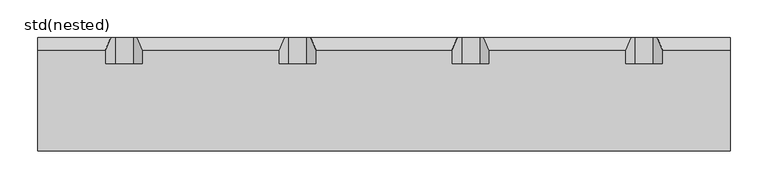
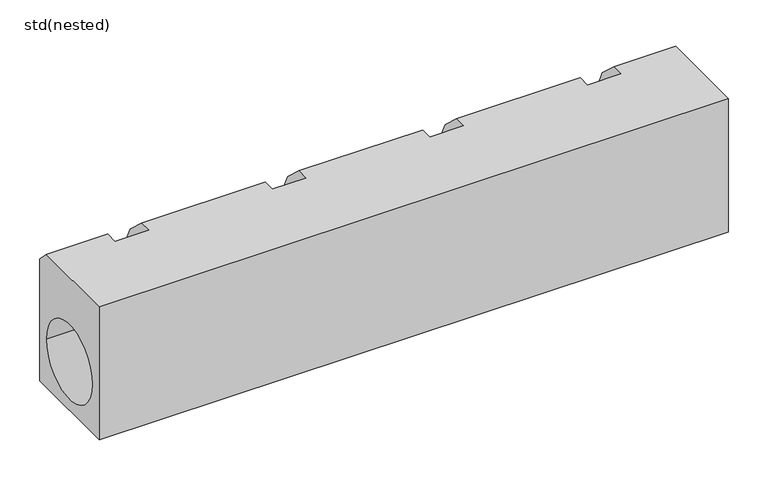
"""IFC4 building model written with IfcOpenShell, lengths in millimetres: sanitary terminal geometry, std(nested)."""

from ifc_helpers import new_model, si_unit, frame, origin, place, context, project, spatial, polyline, circle_curve, source, transform, mapped, element, save
from ifc_brep_helpers import plane_surface, revolved_surface, advanced_brep


def std_nested_bd71ac03(model_context):
    return source(origin(), model_context, "Body", "AdvancedBrep", [
        advanced_brep(
        [(-614.056243, -435.4923488, 0.0), (-626.9049289, -435.4923488, -30.2696072), (-650.8009223, -435.4923488, -30.2696072), (-663.6496083, -435.4923488, 0.0), (-385.0562483, -435.4923488, 0.0), (-397.9049342, -435.4923488, -30.2696072), (-421.8009276, -435.4923488, -30.2696072), (-434.6496136, -435.4923488, 0.0), (-156.0562461, -435.4923488, 0.0), (-168.9049321, -435.4923488, -30.2696072), (-192.8009255, -435.4923488, -30.2696072), (-205.6496114, -435.4923488, 0.0), (72.943756, -435.4923488, 0.0), (60.0950701, -435.4923488, -30.2696072), (36.1990766, -435.4923488, -30.2696072), (23.3503907, -435.4923488, 0.0), (162.1470743, -550.4923488, 0.0), (162.1470743, -550.4923488, -205.0), (162.1470743, -400.4923428, -205.0), (162.1470743, -400.4923428, -16.998306), (162.1470743, -417.4906488, 0.0), (162.1470743, -532.9923488, -130.0), (162.1470743, -417.9923488, -130.0), (-752.8529257, -550.4923488, 0.0), (-752.8529257, -417.4906488, 0.0), (-752.8529257, -400.4923428, -16.998306), (-752.8529257, -400.4923428, -205.0), (-752.8529257, -550.4923488, -205.0), (-752.8529257, -532.9923488, -130.0), (-752.8529257, -417.9923488, -130.0), (72.943756, -417.4906488, 0.0), (23.3503907, -417.4906488, 0.0), (-156.0562461, -417.4906488, 0.0), (-205.6496114, -417.4906488, 0.0), (-385.0562483, -417.4906488, 0.0), (-434.6496136, -417.4906488, 0.0), (-614.056243, -417.4906488, 0.0), (-663.6496083, -417.4906488, 0.0), (-656.4342555, -400.4923428, -16.998306), (-650.8009223, -400.4923428, -30.2696072), (-626.9049289, -400.4923428, -30.2696072), (-621.2715958, -400.4923428, -16.998306), (-427.4342608, -400.4923428, -16.998306), (-421.8009276, -400.4923428, -30.2696072), (-397.9049342, -400.4923428, -30.2696072), (-392.2716011, -400.4923428, -16.998306), (-198.4342586, -400.4923428, -16.998306), (-192.8009255, -400.4923428, -30.2696072), (-168.9049321, -400.4923428, -30.2696072), (-163.271599, -400.4923428, -16.998306), (30.5657435, -400.4923428, -16.998306), (36.1990766, -400.4923428, -30.2696072), (60.0950701, -400.4923428, -30.2696072), (65.7284032, -400.4923428, -16.998306)],
        [
            (0, 1),
            (1, 2, circle_curve(frame((-638.8529256, -435.4923488, -25.1979835), z_axis=(0.0, 1.0, 0.0), x_axis=(0.0, 0.0, -1.0)), 12.9798302)),
            (2, 3),
            (3, 0),
            (4, 5),
            (5, 6, circle_curve(frame((-409.8529309, -435.4923488, -25.1979835), z_axis=(0.0, 1.0, 0.0), x_axis=(0.0, 0.0, -1.0)), 12.9798302)),
            (6, 7),
            (7, 4),
            (8, 9),
            (9, 10, circle_curve(frame((-180.8529288, -435.4923488, -25.1979835), z_axis=(0.0, 1.0, 0.0), x_axis=(0.0, 0.0, -1.0)), 12.9798302)),
            (10, 11),
            (11, 8),
            (12, 13),
            (13, 14, circle_curve(frame((48.1470734, -435.4923488, -25.1979835), z_axis=(0.0, 1.0, 0.0), x_axis=(0.0, 0.0, -1.0)), 12.9798302)),
            (14, 15),
            (15, 12),
            (16, 17),
            (17, 18),
            (18, 19),
            (19, 20),
            (20, 16),
            (21, 22, circle_curve(frame((162.1470743, -475.4923488, -130.0), z_axis=(-1.0, 0.0, 0.0), x_axis=(0.0, 1.0, 0.0)), 57.5)),
            (22, 21, circle_curve(frame((162.1470743, -475.4923488, -130.0), z_axis=(-1.0, 0.0, 0.0), x_axis=(0.0, 1.0, 0.0)), 57.5)),
            (23, 24),
            (24, 25),
            (25, 26),
            (26, 27),
            (27, 23),
            (28, 29, circle_curve(frame((-752.8529257, -475.4923488, -130.0), z_axis=(1.0, 0.0, 0.0), x_axis=(0.0, 1.0, 0.0)), 57.5)),
            (29, 28, circle_curve(frame((-752.8529257, -475.4923488, -130.0), z_axis=(1.0, 0.0, 0.0), x_axis=(0.0, 1.0, 0.0)), 57.5)),
            (16, 23),
            (27, 17),
            (20, 30),
            (30, 12),
            (15, 31),
            (31, 32),
            (32, 8),
            (11, 33),
            (33, 34),
            (34, 4),
            (7, 35),
            (35, 36),
            (36, 0),
            (3, 37),
            (37, 24),
            (26, 18),
            (25, 38),
            (38, 39),
            (39, 40, circle_curve(frame((-638.8529256, -400.4923428, -25.1979835), z_axis=(0.0, -1.0, 0.0), x_axis=(0.0, 0.0, -1.0)), 12.9798302)),
            (40, 41),
            (41, 42),
            (42, 43),
            (43, 44, circle_curve(frame((-409.8529309, -400.4923428, -25.1979835), z_axis=(0.0, -1.0, 0.0), x_axis=(0.0, 0.0, -1.0)), 12.9798302)),
            (44, 45),
            (45, 46),
            (46, 47),
            (47, 48, circle_curve(frame((-180.8529288, -400.4923428, -25.1979835), z_axis=(0.0, -1.0, 0.0), x_axis=(0.0, 0.0, -1.0)), 12.9798302)),
            (48, 49),
            (49, 50),
            (50, 51),
            (51, 52, circle_curve(frame((48.1470734, -400.4923428, -25.1979835), z_axis=(0.0, -1.0, 0.0), x_axis=(0.0, 0.0, -1.0)), 12.9798302)),
            (52, 53),
            (53, 19),
            (53, 30),
            (37, 38),
            (31, 50),
            (49, 32),
            (33, 46),
            (45, 34),
            (35, 42),
            (41, 36),
            (21, 28),
            (29, 22),
            (2, 39),
            (1, 40),
            (6, 43),
            (5, 44),
            (10, 47),
            (9, 48),
            (14, 51),
            (13, 52),
        ],
        [
            plane_surface(frame((-660.7519999, -435.4923488, 0.0), z_axis=(0.0, 1.0, 0.0), x_axis=(-1.0, 0.0, 0.0))),
            plane_surface(frame((162.1470743, -550.4923488, -304.8), z_axis=(1.0, 0.0, 0.0), x_axis=(0.0, 0.0, -1.0))),
            plane_surface(frame((-752.8529257, -550.4923488, -304.8), z_axis=(-1.0, 0.0, 0.0), x_axis=(0.0, 0.0, 1.0))),
            plane_surface(frame((162.1470743, -550.4923488, 0.0), z_axis=(0.0, -1.0, 0.0), x_axis=(-1.0, 0.0, 0.0))),
            plane_surface(frame((162.1470743, -417.4906488, 0.0), z_axis=(0.0, 0.0, 1.0), x_axis=(-1.0, 0.0, 0.0))),
            plane_surface(frame((162.1470743, -550.4923488, -205.0), z_axis=(0.0, 0.0, -1.0), x_axis=(-1.0, 0.0, 0.0))),
            plane_surface(frame((162.1470743, -400.4923428, -205.0), z_axis=(0.0, 1.0, 0.0), x_axis=(-1.0, 0.0, 0.0))),
            plane_surface(frame((162.1470743, -400.4923428, -16.998306), z_axis=(0.0, 0.707106781186549, 0.707106781186546), x_axis=(-1.0, 0.0, 0.0))),
            revolved_surface(polyline([(-752.8529257, -417.9923488, -130.0), (162.14707429999999, -417.9923488, -130.0)]), (-752.8529257, -475.4923488, -130.0), (-1.0, 0.0, 0.0)),
            plane_surface(frame((-663.6496083, -435.4923488, 0.0), z_axis=(0.9205048534524404, 0.0, 0.3907311284892738), x_axis=(0.0, 1.0, 0.0))),
            revolved_surface(polyline([(-638.8529256, -435.4923488, -38.1778137), (-638.8529256, -400.4923428, -38.1778137)]), (-638.8529256, -400.4923428, -25.1979835), (0.0, -1.0, 0.0)),
            plane_surface(frame((-626.9049289, -435.4923488, -30.2696072), z_axis=(-0.9205048534524409, 0.0, 0.3907311284892724), x_axis=(0.0, 1.0, 0.0))),
            plane_surface(frame((-434.6496136, -435.4923488, 0.0), z_axis=(0.9205048534524405, 0.0, 0.39073112848927327), x_axis=(0.0, 1.0, 0.0))),
            revolved_surface(polyline([(-409.8529309, -435.4923488, -38.1778137), (-409.8529309, -400.4923428, -38.1778137)]), (-409.8529309, -603.3037889, -25.1979835), (0.0, -1.0, 0.0)),
            plane_surface(frame((-397.9049342, -435.4923488, -30.2696072), z_axis=(-0.920504853452441, 0.0, 0.39073112848927216), x_axis=(0.0, 1.0, 0.0))),
            plane_surface(frame((-205.6496114, -435.4923488, 0.0), z_axis=(0.9205048534524409, 0.0, 0.39073112848927244), x_axis=(0.0, 1.0, 0.0))),
            revolved_surface(polyline([(-180.8529288, -435.4923488, -38.1778137), (-180.8529288, -400.4923428, -38.1778137)]), (-180.8529288, -603.3037889, -25.1979835), (0.0, -1.0, 0.0)),
            plane_surface(frame((-168.9049321, -435.4923488, -30.2696072), z_axis=(-0.9205048534524407, 0.0, 0.390731128489273), x_axis=(0.0, 1.0, 0.0))),
            plane_surface(frame((23.3503907, -435.4923488, 0.0), z_axis=(0.9205048534524406, 0.0, 0.39073112848927305), x_axis=(0.0, 1.0, 0.0))),
            revolved_surface(polyline([(48.1470734, -435.4923488, -38.1778137), (48.1470734, -400.4923428, -38.1778137)]), (48.1470734, -603.3037889, -25.1979835), (0.0, -1.0, 0.0)),
            plane_surface(frame((60.0950701, -435.4923488, -30.2696072), z_axis=(-0.9205048534524409, 0.0, 0.39073112848927255), x_axis=(0.0, 1.0, 0.0))),
        ],
        [
            (0, [[1, 2, 3, 4]]),
            (0, [[5, 6, 7, 8]]),
            (0, [[9, 10, 11, 12]]),
            (0, [[13, 14, 15, 16]]),
            (1, [[17, 18, 19, 20, 21], [22, 23]]),
            (2, [[24, 25, 26, 27, 28], [29, 30]]),
            (3, [[-17, 31, -28, 32]]),
            (4, [[-21, 33, 34, -16, 35, 36, 37, -12, 38, 39, 40, -8, 41, 42, 43, -4, 44, 45, -24, -31]]),
            (5, [[-18, -32, -27, 46]]),
            (6, [[-19, -46, -26, 47, 48, 49, 50, 51, 52, 53, 54, 55, 56, 57, 58, 59, 60, 61, 62, 63]]),
            (7, [[-20, -63, 64, -33]]),
            (7, [[-25, -45, 65, -47]]),
            (7, [[-36, 66, -59, 67]]),
            (7, [[-39, 68, -55, 69]]),
            (7, [[-42, 70, -51, 71]]),
            (8, [[-22, 72, -30, 73]]),
            (8, [[-23, -73, -29, -72]]),
            (9, [[-3, 74, -48, -65, -44]]),
            (10, [[-2, 75, -49, -74]]),
            (11, [[-1, -43, -71, -50, -75]]),
            (12, [[-7, 76, -52, -70, -41]]),
            (13, [[-6, 77, -53, -76]]),
            (14, [[-5, -40, -69, -54, -77]]),
            (15, [[-11, 78, -56, -68, -38]]),
            (16, [[-10, 79, -57, -78]]),
            (17, [[-9, -37, -67, -58, -79]]),
            (18, [[-15, 80, -60, -66, -35]]),
            (19, [[-14, 81, -61, -80]]),
            (20, [[-13, -34, -64, -62, -81]]),
        ],
    ),
    ])


if __name__ == "__main__":
    model = new_model("IFC4")
    model_context = context("Model", 3, world=origin())
    ifc_project = project(units=[si_unit("LENGTHUNIT", "METRE", prefix="MILLI")], contexts=[model_context])
    site = spatial("IfcSite", under=ifc_project)
    building = spatial("IfcBuilding", under=site)
    placement = place(None, origin())
    std_nested_shape = std_nested_bd71ac03(model_context)
    element("IfcSanitaryTerminal", 1, ObjectType="std(nested)", at=placement, inside=building, context=model_context, shape_type="MappedRepresentation", body=[
        mapped(std_nested_shape, transform((0.0, 0.0, 0.0), x_axis=(1.0, 0.0, 0.0), y_axis=(0.0, 1.0, 0.0), z_axis=(0.0, 0.0, 1.0))),
    ])
    save(model, "model.ifc")
